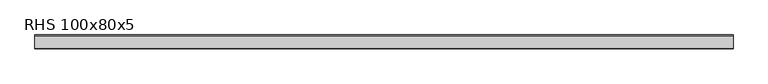
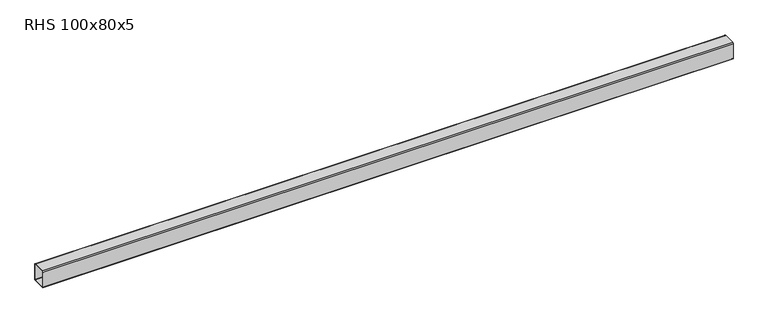
"""IFC4 building model written with IfcOpenShell, lengths in millimetres: beam geometry, RHS 100x80x5."""

from ifc_helpers import new_model, si_unit, point, frame, frame_2d, origin, place, context, project, spatial, polyline, circle_curve, trimmed, segment, composite_curve, outline, extrude, source, transform, mapped, element, save


def rhs_100x80x5_241d842e(model_context):
    return source(origin(), model_context, "Body", "SweptSolid", [
        extrude(outline(composite_curve([segment(polyline([(40.0, 45.0), (40.0, -45.0)]), True, "CONTINUOUS"), segment(trimmed(circle_curve(frame_2d((35.0, -45.0)), 5.0), [point((40.0, -45.0))], [point((35.0, -50.0))], False, "CARTESIAN"), True, "CONTINUOUS"), segment(polyline([(35.0, -50.0), (-35.0, -50.0)]), True, "CONTINUOUS"), segment(trimmed(circle_curve(frame_2d((-35.0, -45.0)), 5.0), [point((-35.0, -50.0))], [point((-40.0, -45.0))], False, "CARTESIAN"), True, "CONTINUOUS"), segment(polyline([(-40.0, -45.0), (-40.0, 45.0)]), True, "CONTINUOUS"), segment(trimmed(circle_curve(frame_2d((-35.0, 45.0)), 5.0), [point((-40.0, 45.0))], [point((-35.0, 50.0))], False, "CARTESIAN"), True, "CONTINUOUS"), segment(polyline([(-35.0, 50.0), (35.0, 50.0)]), True, "CONTINUOUS"), segment(trimmed(circle_curve(frame_2d((35.0, 45.0)), 5.0), [point((35.0, 50.0))], [point((40.0, 45.0))], False, "CARTESIAN"), True, "CONTINUOUS")], self_intersect=False), holes=[composite_curve([segment(trimmed(circle_curve(frame_2d((-35.0, 45.0)), 2.5), [point((-35.0, 47.5))], [point((-37.5, 45.0))], True, "CARTESIAN"), True, "CONTINUOUS"), segment(polyline([(-37.5, 45.0), (-37.5, -45.0)]), True, "CONTINUOUS"), segment(trimmed(circle_curve(frame_2d((-35.0, -45.0)), 2.5), [point((-37.5, -45.0))], [point((-35.0, -47.5))], True, "CARTESIAN"), True, "CONTINUOUS"), segment(polyline([(-35.0, -47.5), (35.0, -47.5)]), True, "CONTINUOUS"), segment(trimmed(circle_curve(frame_2d((35.0, -45.0)), 2.5), [point((35.0, -47.5))], [point((37.5, -45.0))], True, "CARTESIAN"), True, "CONTINUOUS"), segment(polyline([(37.5, -45.0), (37.5, 45.0)]), True, "CONTINUOUS"), segment(trimmed(circle_curve(frame_2d((35.0, 45.0)), 2.5), [point((37.5, 45.0))], [point((35.0, 47.5))], True, "CARTESIAN"), True, "CONTINUOUS"), segment(polyline([(35.0, 47.5), (-35.0, 47.5)]), True, "CONTINUOUS")], self_intersect=False)]), frame((-1978.1776119, 0.0, 0.0), z_axis=(1.0, 0.0, 0.0), x_axis=(0.0, 1.0, 0.0)), (0.0, 0.0, 1.0), 3969.0552244),
    ])


if __name__ == "__main__":
    model = new_model("IFC4")
    model_context = context("Model", 3, world=origin())
    ifc_project = project(units=[si_unit("LENGTHUNIT", "METRE", prefix="MILLI")], contexts=[model_context])
    site = spatial("IfcSite", under=ifc_project)
    building = spatial("IfcBuilding", under=site)
    placement = place(None, origin())
    rhs_100x80x5_shape = rhs_100x80x5_241d842e(model_context)
    element("IfcBeam", 1, ObjectType="RHS 100x80x5", at=placement, inside=building, context=model_context, shape_type="MappedRepresentation", body=[
        mapped(rhs_100x80x5_shape, transform((0.0, 0.0, 0.0), x_axis=(1.0, 0.0, 0.0), y_axis=(0.0, 1.0, 0.0), z_axis=(0.0, 0.0, 1.0))),
    ])
    save(model, "model.ifc")
